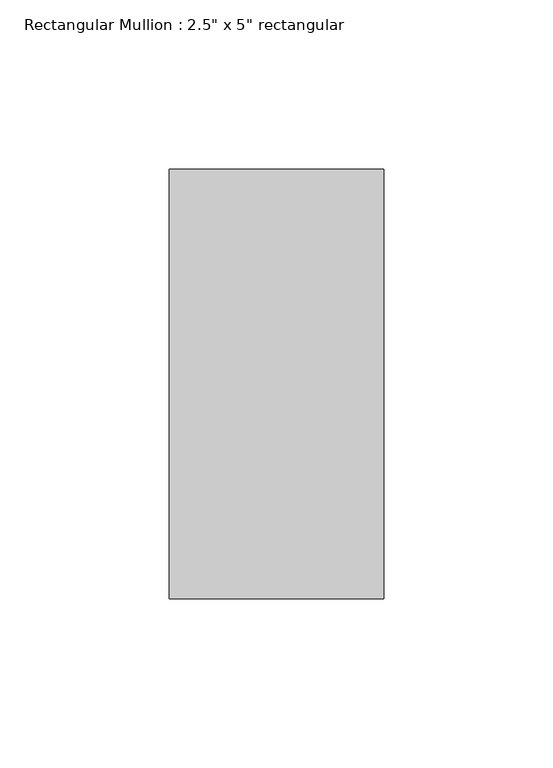
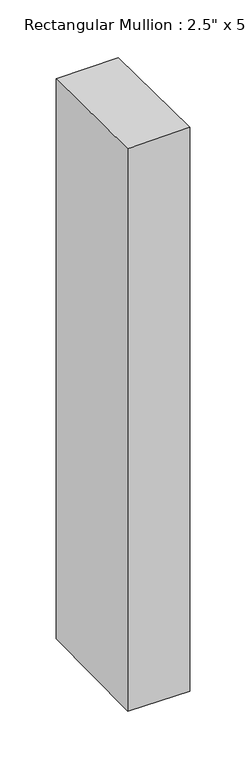
"""IFC4 building model written with IfcOpenShell, lengths in millimetres: member geometry."""

from ifc_helpers import new_model, si_unit, origin, place, context, project, spatial, faceted_brep, source, transform, mapped, element, save


def member_ab69ddf8(model_context):
    return source(origin(), model_context, "Body", "Brep", [
        faceted_brep([(-63.5, 63.5, -1.5319332), (0.0, 63.5, -0.7561038), (0.0, 63.5, -609.3026641), (-63.5, 63.5, -608.6316735), (-63.5, -63.5, -0.0197256), (-63.5, -63.5, -610.1412704), (0.0, -63.5, 0.7561038), (0.0, -63.5, -610.812261)], [[[0, 1, 2, 3]], [[4, 0, 3, 5]], [[6, 4, 5, 7]], [[1, 6, 7, 2]], [[1, 0, 4, 6]], [[2, 7, 5, 3]]]),
    ])


if __name__ == "__main__":
    model = new_model("IFC4")
    model_context = context("Model", 3, world=origin())
    ifc_project = project(units=[si_unit("LENGTHUNIT", "METRE", prefix="MILLI")], contexts=[model_context])
    site = spatial("IfcSite", under=ifc_project)
    building = spatial("IfcBuilding", under=site)
    placement = place(None, origin())
    member_shape = member_ab69ddf8(model_context)
    element("IfcMember", 1, ObjectType="Rectangular Mullion : 2.5\" x 5\" rectangular", at=placement, inside=building, context=model_context, shape_type="MappedRepresentation", body=[
        mapped(member_shape, transform((0.0, 0.0, 0.0), x_axis=(1.0, 0.0, 0.0), y_axis=(0.0, 1.0, 0.0), z_axis=(0.0, 0.0, 1.0))),
    ])
    save(model, "model.ifc")
